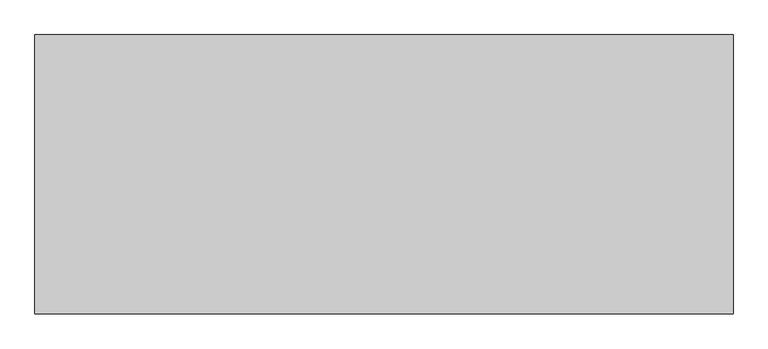
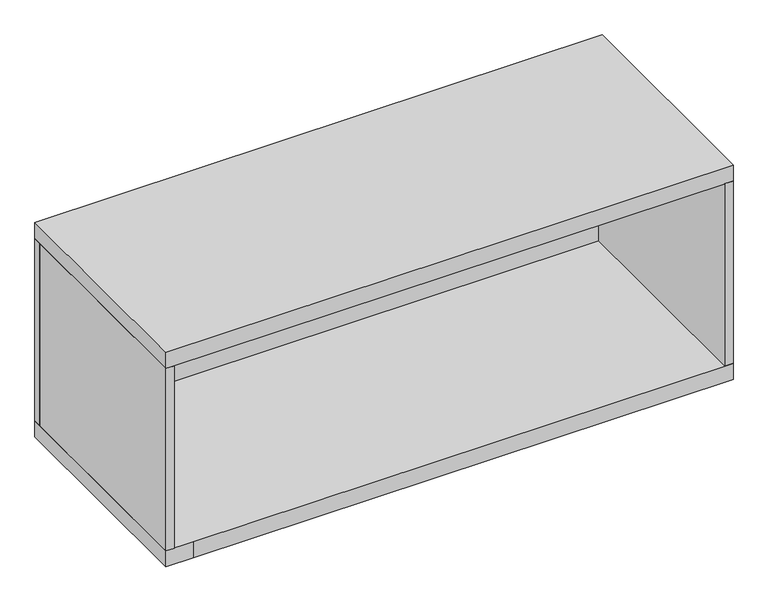
"""IFC4 building model written with IfcOpenShell, lengths in millimetres: proxy geometry."""

from ifc_helpers import new_model, si_unit, frame, origin, origin_with_axes, place, context, project, spatial, polyline, outline, extrude, source, transform, mapped, element, save


def generic_models_73425afe(model_context):
    return source(origin(), model_context, "Body", "SweptSolid", [
        extrude(outline(polyline([(10585.7130472, -630.5243233), (10435.7130472, -630.5243233), (10435.7130472, 3219.4756767), (10585.7130472, 3219.4756767), (10585.7130472, -630.5243233)])), frame((0.0, 0.0, 300.0), z_axis=(0.0, 0.0, 1.0), x_axis=(1.0, 0.0, 0.0)), (0.0, 0.0, 1.0), 3400.0),
        extrude(outline(polyline([(10585.7130472, 3369.4756767), (10585.7130472, 3219.4756767), (585.7130472, 3219.4756767), (585.7130472, 3369.4756767), (10585.7130472, 3369.4756767)])), frame((0.0, 0.0, 300.0), z_axis=(0.0, 0.0, 1.0), x_axis=(1.0, 0.0, 0.0)), (0.0, 0.0, 1.0), 3400.0),
        extrude(outline(polyline([(735.7130472, 3219.4756767), (735.7130472, -630.5243233), (585.7130472, -630.5243233), (585.7130472, 3219.4756767), (735.7130472, 3219.4756767)])), frame((0.0, 0.0, 300.0), z_axis=(0.0, 0.0, 1.0), x_axis=(1.0, 0.0, 0.0)), (0.0, 0.0, 1.0), 3400.0),
        extrude(outline(polyline([(10585.7130472, -630.5243233), (585.7130472, -630.5243233), (585.7130472, 3369.4756767), (10585.7130472, 3369.4756767), (10585.7130472, -630.5243233)])), frame((0.0, 0.0, 3700.0), z_axis=(0.0, 0.0, 1.0), x_axis=(1.0, 0.0, 0.0)), (0.0, 0.0, 1.0), 300.0),
        extrude(outline(polyline([(10585.7130472, 3369.4756767), (10585.7130472, -630.5243233), (1071.1583788, -630.5243233), (585.7130472, -630.5243233), (585.7130472, 3369.4756767), (10585.7130472, 3369.4756767)])), origin_with_axes(), (0.0, 0.0, 1.0), 300.0),
    ])


if __name__ == "__main__":
    model = new_model("IFC4")
    model_context = context("Model", 3, world=origin())
    ifc_project = project(units=[si_unit("LENGTHUNIT", "METRE", prefix="MILLI")], contexts=[model_context])
    site = spatial("IfcSite", under=ifc_project)
    building = spatial("IfcBuilding", under=site)
    placement = place(None, origin())
    generic_models_shape = generic_models_73425afe(model_context)
    element("IfcBuildingElementProxy", 1, Name="Generic Models", at=placement, inside=building, context=model_context, shape_type="MappedRepresentation", body=[
        mapped(generic_models_shape, transform((0.0, 0.0, 0.0), x_axis=(1.0, 0.0, 0.0), y_axis=(0.0, 1.0, 0.0), z_axis=(0.0, 0.0, 1.0))),
    ])
    save(model, "model.ifc")
